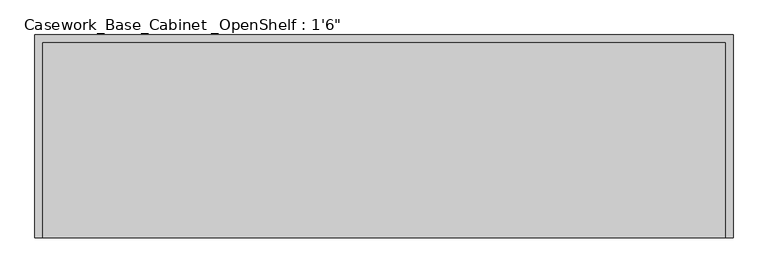
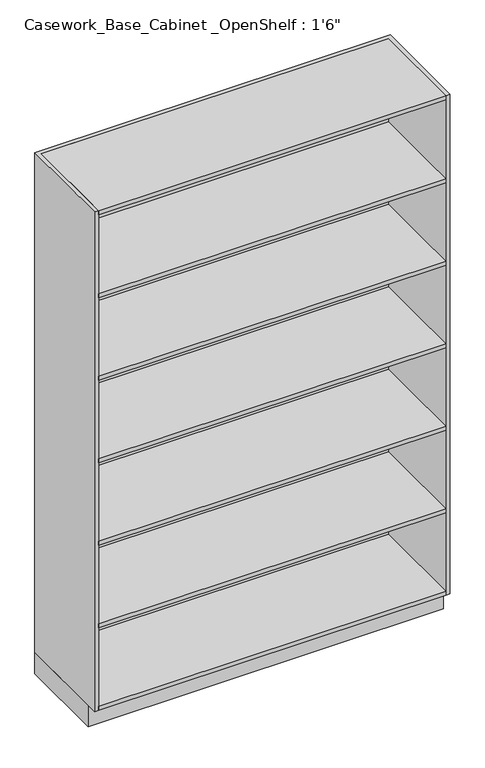
"""IFC4 building model written with IfcOpenShell, lengths in millimetres: furniture geometry."""

from ifc_helpers import new_model, si_unit, frame, origin, origin_with_axes, place, context, project, spatial, polyline, outline, extrude, source, transform, mapped, element, save


def furniture_c0ad564e(model_context):
    return source(origin(), model_context, "Body", "SweptSolid", [
        extrude(outline(polyline([(814.1003264, -18.0), (814.1003264, -457.2), (-724.6996736, -457.2), (-724.6996736, -18.0), (814.1003264, -18.0)])), frame((0.0, 0.0, 1643.7333333), z_axis=(0.0, 0.0, 1.0), x_axis=(1.0, 0.0, 0.0)), (0.0, 0.0, 1.0), 19.0),
        extrude(outline(polyline([(814.1003264, -18.0), (814.1003264, -457.2), (-724.6996736, -457.2), (-724.6996736, -18.0), (814.1003264, -18.0)])), frame((0.0, 0.0, 1257.8), z_axis=(0.0, 0.0, 1.0), x_axis=(1.0, 0.0, 0.0)), (0.0, 0.0, 1.0), 19.0),
        extrude(outline(polyline([(814.1003264, -18.0), (814.1003264, -457.2), (-724.6996736, -457.2), (-724.6996736, -18.0), (814.1003264, -18.0)])), frame((0.0, 0.0, 871.8666667), z_axis=(0.0, 0.0, 1.0), x_axis=(1.0, 0.0, 0.0)), (0.0, 0.0, 1.0), 19.0),
        extrude(outline(polyline([(814.1003264, -18.0), (814.1003264, -457.2), (-724.6996736, -457.2), (-724.6996736, -18.0), (814.1003264, -18.0)])), frame((0.0, 0.0, 485.9333333), z_axis=(0.0, 0.0, 1.0), x_axis=(1.0, 0.0, 0.0)), (0.0, 0.0, 1.0), 19.0),
        extrude(outline(polyline([(814.1003264, -18.0), (814.1003264, -457.2), (-724.6996736, -457.2), (-724.6996736, -18.0), (814.1003264, -18.0)])), frame((0.0, 0.0, 2029.6666667), z_axis=(0.0, 0.0, 1.0), x_axis=(1.0, 0.0, 0.0)), (0.0, 0.0, 1.0), 19.0),
        extrude(outline(polyline([(814.1003264, -18.0), (814.1003264, -457.2), (-724.6996736, -457.2), (-724.6996736, -18.0), (814.1003264, -18.0)])), frame((0.0, 0.0, 100.0), z_axis=(0.0, 0.0, 1.0), x_axis=(1.0, 0.0, 0.0)), (0.0, 0.0, 1.0), 19.0),
        extrude(outline(polyline([(814.1003264, -18.0), (814.1003264, -457.2), (-724.6996736, -457.2), (-724.6996736, -18.0), (814.1003264, -18.0)])), frame((0.0, 0.0, 2419.4), z_axis=(0.0, 0.0, 1.0), x_axis=(1.0, 0.0, 0.0)), (0.0, 0.0, 1.0), 19.0),
        extrude(outline(polyline([(814.1003264, -18.0), (814.1003264, -457.2), (-724.6996736, -457.2), (-724.6996736, -18.0), (814.1003264, -18.0)])), frame((0.0, 0.0, 100.0), z_axis=(0.0, 0.0, 1.0), x_axis=(1.0, 0.0, 0.0)), (0.0, 0.0, 1.0), 19.0),
        extrude(outline(polyline([(832.1003264, 0.0), (832.1003264, -457.2), (814.1003264, -457.2), (814.1003264, -18.0), (-724.6996736, -18.0), (-724.6996736, -457.2), (-742.6996736, -457.2), (-742.6996736, 0.0), (832.1003264, 0.0)])), frame((0.0, 0.0, 100.0), z_axis=(0.0, 0.0, 1.0), x_axis=(1.0, 0.0, 0.0)), (0.0, 0.0, 1.0), 2338.4),
        extrude(outline(polyline([(832.1003264, 0.0), (832.1003264, -407.2), (-742.6996736, -407.2), (-742.6996736, 0.0), (832.1003264, 0.0)]), holes=[polyline([(817.1003264, -15.0), (-727.6996736, -15.0), (-727.6996736, -391.2), (817.1003264, -391.2), (817.1003264, -15.0)])]), origin_with_axes(), (0.0, 0.0, 1.0), 100.0),
    ])


if __name__ == "__main__":
    model = new_model("IFC4")
    model_context = context("Model", 3, world=origin())
    ifc_project = project(units=[si_unit("LENGTHUNIT", "METRE", prefix="MILLI")], contexts=[model_context])
    site = spatial("IfcSite", under=ifc_project)
    building = spatial("IfcBuilding", under=site)
    placement = place(None, origin())
    furniture_shape = furniture_c0ad564e(model_context)
    element("IfcFurniture", 1, ObjectType="Casework_Base_Cabinet _OpenShelf : 1'6\"", at=placement, inside=building, context=model_context, shape_type="MappedRepresentation", body=[
        mapped(furniture_shape, transform((0.0, 0.0, 0.0), x_axis=(1.0, 0.0, 0.0), y_axis=(0.0, 1.0, 0.0), z_axis=(0.0, 0.0, 1.0))),
    ])
    save(model, "model.ifc")
